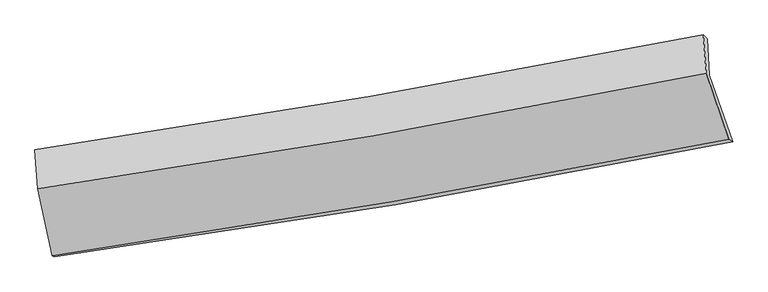
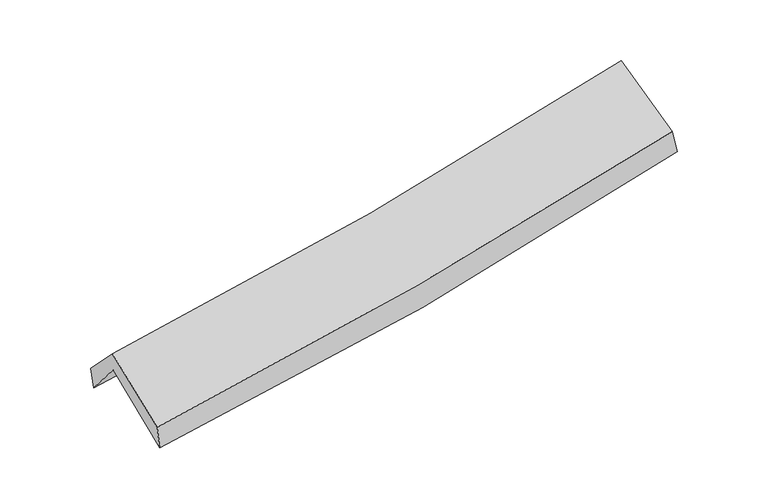
"""IFC4 building model written with IfcOpenShell, lengths in millimetres: proxy geometry."""

from ifc_helpers import new_model, si_unit, frame, origin, place, context, project, spatial, source, transform, mapped, element, save
from ifc_brep_helpers import plane_surface, spline_curve, spline_surface, advanced_brep


def generic_models_2e393bc9(model_context):
    return source(origin(), model_context, "Body", "AdvancedBrep", [
        advanced_brep(
        [(-2364.7024067, -2476.1444365, 1474.4930881), (-2474.6492567, -1980.7182502, 1920.1202751), (2388.8630509, -1161.1456318, 2381.8733941), (2556.8231864, -1644.6823602, 1936.6539792), (-2490.6178247, -1717.7072514, 1603.4374233), (2373.2849596, -897.6346286, 2064.7552184), (-2506.1919681, -1699.8427908, 1770.9946792), (2343.9241807, -868.4252476, 2233.252836), (-2485.6362782, -1983.9476236, 2069.9318852), (2365.8927041, -1145.2674724, 2525.1278369), (-2380.0471362, -2468.2841061, 1659.0280991), (2528.0809768, -1624.5895738, 2115.5360606)],
        [
            (0, 1),
            (1, 2, spline_curve(3, [(-2474.6492567, -1980.7182502, 1920.1202751), (-1654.992043845, -1871.747127805, 1964.351219243), (-839.269409154, -1748.840675455, 2025.028372082), (781.877850678, -1475.566539257, 2179.044344766), (1587.325985523, -1325.282118407, 2272.284897896), (2388.8630509, -1161.1456318, 2381.8733941)], [4, 2, 4], [0.0, 8.190152482277481, 16.355800213834673])),
            (2, 3),
            (3, 0, spline_curve(3, [(2556.8231864, -1644.6823602, 1936.6539792), (1745.802648528, -1810.700386517, 1824.879848304), (930.785708165, -1962.914808019, 1730.510961135), (-709.698801088, -2240.151805771, 1576.352709345), (-1535.190391506, -2365.091409832, 1516.667966263), (-2364.7024067, -2476.1444365, 1474.4930881)], [4, 2, 4], [0.0, 8.165647731557192, 16.355800213834673])),
            (1, 4),
            (4, 5, spline_curve(3, [(-2490.6178247, -1717.7072514, 1603.4374233), (-1670.995437111, -1607.312906266, 1646.171251762), (-855.257552222, -1483.654116762, 1706.0645827), (766.02016589, -1210.217320652, 1859.939709168), (1571.583209123, -1060.518569219, 1953.818976644), (2373.2849596, -897.6346286, 2064.7552184)], [4, 2, 4], [0.0, 8.141981646764512, 16.259602668857518])),
            (5, 2),
            (4, 6),
            (6, 7, spline_curve(3, [(-2506.1919681, -1699.8427908, 1770.9946792), (-1690.35890327, -1581.43416919, 1818.75099766), (-877.665172499, -1452.826000163, 1881.230409663), (739.02145308, -1175.625876581, 2035.40443219), (1543.033104942, -1027.094864655, 2127.011072604), (2343.9241807, -868.4252476, 2233.252836)], [4, 2, 4], [0.0, 8.132287147798687, 16.240242676647195])),
            (7, 5),
            (6, 8),
            (8, 9, spline_curve(3, [(-2485.6362782, -1983.9476236, 2069.9318852), (-1669.207277938, -1868.934919424, 2121.344524495), (-856.097936304, -1741.415133138, 2185.059076), (761.058555916, -1461.780352882, 2336.864563862), (1565.125542018, -1309.740088955, 2424.881996295), (2365.8927041, -1145.2674724, 2525.1278369)], [4, 2, 4], [0.0, 8.123804934076324, 16.223303627793804])),
            (9, 7),
            (8, 10),
            (10, 11, spline_curve(3, [(-2380.0471362, -2468.2841061, 1659.0280991), (-1555.069504269, -2349.552649673, 1713.114146839), (-732.961512965, -2219.757154503, 1778.273061716), (903.064045376, -1938.459536231, 1930.508542718), (1716.998758505, -1787.02352044, 2017.518948058), (2528.0809768, -1624.5895738, 2115.5360606)], [4, 2, 4], [0.0, 8.171568028555912, 16.31868691065613])),
            (11, 9),
            (10, 0),
            (3, 11),
        ],
        [
            spline_surface(3, 3, [[(-2364.7024067, -2476.1444365, 1474.4930881), (-1535.190391537, -2365.091409832, 1516.667966202), (-709.698800955, -2240.151805781, 1576.352709298), (930.785708032, -1962.914808009, 1730.510961183), (1745.802648481, -1810.700386628, 1824.879848401), (2556.8231864, -1644.6823602, 1936.6539792)], [(-2401.351356683, -2311.002374416, 1623.035483767), (-1575.124275579, -2200.643315822, 1665.895717197), (-752.889003738, -2076.381429027, 1725.911263575), (881.149755613, -1800.465385039, 1880.022088992), (1692.977094192, -1648.894297285, 1974.014864909), (2500.836474581, -1483.503450764, 2085.060450812)], [(-2438.000306717, -2145.860312284, 1771.577879433), (-1615.058159671, -2036.195221763, 1815.123468189), (-796.079206494, -1912.61105232, 1875.469817906), (831.513803221, -1638.015962116, 2029.533216855), (1640.15153986, -1487.08820785, 2123.149881483), (2444.849762719, -1322.324541236, 2233.466922488)], [(-2474.6492567, -1980.7182502, 1920.1202751), (-1654.992043713, -1871.747127753, 1964.351219184), (-839.269409278, -1748.840675566, 2025.028372183), (781.877850802, -1475.566539146, 2179.044344665), (1587.325985571, -1325.282118506, 2272.284897991), (2388.8630509, -1161.1456318, 2381.8733941)]], [4, 4], [4, 2, 4], [0.0, 2.2253554300333733], [0.0, 8.190152482277481, 16.355800213834673]),
            spline_surface(3, 3, [[(-2474.6492567, -1980.7182502, 1920.1202751), (-1654.992043713, -1871.747127753, 1964.351219184), (-839.269409278, -1748.840675566, 2025.028372183), (781.877850802, -1475.566539146, 2179.044344665), (1587.325985571, -1325.282118506, 2272.284897991), (2388.8630509, -1161.1456318, 2381.8733941)], [(-2479.972112721, -1893.047917249, 1814.559324524), (-1660.326508231, -1783.602387215, 1858.291230063), (-844.598790248, -1660.445155961, 1918.707109033), (776.59195587, -1387.116799679, 2072.676132831), (1582.078393393, -1237.027602066, 2166.129590858), (2383.670353789, -1073.308630725, 2276.167335542)], [(-2485.294968679, -1805.377584351, 1708.998373876), (-1665.660972688, -1695.457646729, 1752.231240869), (-849.928171293, -1572.049636314, 1812.385845869), (771.306060864, -1298.667060172, 1966.307920983), (1576.83080125, -1148.773085651, 2059.9742837), (2378.477656711, -985.471629675, 2170.461276958)], [(-2490.6178247, -1717.7072514, 1603.4374233), (-1670.995437207, -1607.312906191, 1646.171251748), (-855.257552264, -1483.654116708, 1706.064582719), (766.020165931, -1210.217320706, 1859.939709149), (1571.583209072, -1060.51856921, 1953.818976567), (2373.2849596, -897.6346286, 2064.7552184)]], [4, 4], [4, 2, 4], [0.0, 1.3622525986763878], [0.0, 8.141981646764512, 16.259602668857518]),
            spline_surface(3, 3, [[(-2490.6178247, -1717.7072514, 1603.4374233), (-1670.995437207, -1607.312906191, 1646.171251748), (-855.257552264, -1483.654116708, 1706.064582719), (766.020165931, -1210.217320706, 1859.939709149), (1571.583209072, -1060.51856921, 1953.818976567), (2373.2849596, -897.6346286, 2064.7552184)], [(-2495.809205803, -1711.752431225, 1659.289841918), (-1677.449925886, -1598.68666053, 1703.697833686), (-862.726759006, -1473.378077827, 1764.453191665), (757.020594924, -1198.686839355, 1918.427950217), (1562.066507736, -1049.377334355, 2011.549675265), (2363.498033319, -887.898168248, 2120.921090933)], [(-2501.000586997, -1705.797610975, 1715.142260582), (-1683.904414655, -1590.060414796, 1761.224415671), (-870.195965668, -1463.102038958, 1822.841800582), (748.021023998, -1187.156358017, 1976.916191256), (1552.549806343, -1038.236099555, 2069.280373964), (2353.711106981, -878.161707952, 2177.086963467)], [(-2506.1919681, -1699.8427908, 1770.9946792), (-1690.358903334, -1581.434169136, 1818.750997608), (-877.66517241, -1452.826000077, 1881.230409528), (739.021452991, -1175.625876666, 2035.404432324), (1543.033105006, -1027.094864699, 2127.011072662), (2343.9241807, -868.4252476, 2233.252836)]], [4, 4], [4, 2, 4], [0.0, 0.5906855787323868], [0.0, 8.132287147798687, 16.240242676647195]),
            spline_surface(3, 3, [[(-2506.1919681, -1699.8427908, 1770.9946792), (-1690.358903334, -1581.434169136, 1818.750997608), (-877.66517241, -1452.826000077, 1881.230409528), (739.021452991, -1175.625876666, 2035.404432324), (1543.033105006, -1027.094864699, 2127.011072662), (2343.9241807, -868.4252476, 2233.252836)], [(-2499.340071485, -1794.544401719, 1870.640414536), (-1683.308361514, -1677.267752592, 1919.615506581), (-870.476093733, -1549.022377759, 1982.50663169), (746.367154025, -1271.010702071, 2135.89114284), (1550.397250688, -1121.309939443, 2226.301380532), (2351.247021828, -960.705989216, 2330.544502965)], [(-2492.488174815, -1889.246012681, 1970.286149864), (-1676.257819637, -1773.10133609, 2020.480015544), (-863.287015107, -1645.218755449, 2083.78285384), (753.712855008, -1366.395527484, 2236.377853344), (1557.761396387, -1215.52501414, 2325.591688408), (2358.569862972, -1052.986730784, 2427.836169935)], [(-2485.6362782, -1983.9476236, 2069.9318852), (-1669.207277817, -1868.934919546, 2121.344524517), (-856.09793643, -1741.415133131, 2185.059076002), (761.058556042, -1461.780352889, 2336.86456386), (1565.125542069, -1309.740088884, 2424.881996277), (2365.8927041, -1145.2674724, 2525.1278369)]], [4, 4], [4, 2, 4], [0.0, 1.3711230724002808], [0.0, 8.123804934076324, 16.223303627793804]),
            spline_surface(3, 3, [[(-2485.6362782, -1983.9476236, 2069.9318852), (-1669.207277817, -1868.934919546, 2121.344524517), (-856.09793643, -1741.415133131, 2185.059076002), (761.058556042, -1461.780352889, 2336.86456386), (1565.125542069, -1309.740088884, 2424.881996277), (2365.8927041, -1145.2674724, 2525.1278369)], [(-2450.439897521, -2145.393117785, 1932.963956503), (-1631.161353245, -2029.140829583, 1985.267731926), (-815.052461915, -1900.862473633, 2049.463737904), (808.393719139, -1620.673413987, 2201.412556782), (1615.749947519, -1468.834566048, 2289.094313573), (2419.955461667, -1305.04150618, 2388.597244806)], [(-2415.243516879, -2306.838611915, 1795.996027797), (-1593.115428708, -2189.346739565, 1849.190939326), (-774.006987419, -2060.309814092, 1913.868399857), (855.728882218, -1779.566475041, 2065.960549753), (1666.37435297, -1627.929043272, 2153.306630851), (2474.018219233, -1464.81554002, 2252.066652694)], [(-2380.0471362, -2468.2841061, 1659.0280991), (-1555.069504136, -2349.552649602, 1713.114146735), (-732.961512904, -2219.757154595, 1778.273061759), (903.064045315, -1938.459536139, 1930.508542675), (1716.998758421, -1787.023520436, 2017.518948146), (2528.0809768, -1624.5895738, 2115.5360606)]], [4, 4], [4, 2, 4], [0.0, 2.1030333474004888], [0.0, 8.171568028555912, 16.31868691065613]),
            spline_surface(3, 3, [[(-2380.0471362, -2468.2841061, 1659.0280991), (-1555.069504136, -2349.552649602, 1713.114146735), (-732.961512904, -2219.757154595, 1778.273061759), (903.064045315, -1938.459536139, 1930.508542675), (1716.998758421, -1787.023520436, 2017.518948146), (2528.0809768, -1624.5895738, 2115.5360606)], [(-2374.932226386, -2470.904216206, 1597.516428752), (-1548.443133289, -2354.732236318, 1647.632086543), (-725.207275599, -2226.555371651, 1710.966277622), (912.304599543, -1946.611293424, 1863.842682194), (1726.600055091, -1794.915809167, 1953.305914907), (2537.661713317, -1631.287169267, 2055.908700143)], [(-2369.817316514, -2473.524326394, 1536.004758448), (-1541.816762384, -2359.911823116, 1582.150026394), (-717.45303826, -2233.353588724, 1643.659493435), (921.545153804, -1954.763050724, 1797.176821664), (1736.20135181, -1802.808097897, 1889.09288164), (2547.242449883, -1637.984764733, 1996.281339657)], [(-2364.7024067, -2476.1444365, 1474.4930881), (-1535.190391537, -2365.091409832, 1516.667966202), (-709.698800955, -2240.151805781, 1576.352709298), (930.785708032, -1962.914808009, 1730.510961183), (1745.802648481, -1810.700386628, 1824.879848401), (2556.8231864, -1644.6823602, 1936.6539792)]], [4, 4], [4, 2, 4], [0.0, 0.6686619153957165], [0.0, 8.228142783237685, 16.431667149635086]),
            plane_surface(frame((2426.1448431, -1223.6241524, 2209.5332209), z_axis=(0.9676947405406057, 0.2152311493576581, 0.13131047740462934), x_axis=(0.24913150720469976, -0.7362692478065398, -0.6291590314477786))),
            plane_surface(frame((-2450.3074784, -2054.4407431, 1749.667575), z_axis=(-0.9856742125032679, -0.15079859689195346, -0.07553893023786533), x_axis=(-0.08279292689829652, 0.04241063720782092, 0.9956639338186555))),
        ],
        [
            (0, [[1, 2, 3, 4]]),
            (1, [[5, 6, 7, -2]]),
            (2, [[8, 9, 10, -6]]),
            (3, [[11, 12, 13, -9]]),
            (4, [[14, 15, 16, -12]]),
            (5, [[17, -4, 18, -15]]),
            (6, [[-16, -18, -3, -7, -10, -13]]),
            (7, [[-17, -14, -11, -8, -5, -1]]),
        ],
    ),
    ])


if __name__ == "__main__":
    model = new_model("IFC4")
    model_context = context("Model", 3, world=origin())
    ifc_project = project(units=[si_unit("LENGTHUNIT", "METRE", prefix="MILLI")], contexts=[model_context])
    site = spatial("IfcSite", under=ifc_project)
    building = spatial("IfcBuilding", under=site)
    placement = place(None, origin())
    generic_models_shape = generic_models_2e393bc9(model_context)
    element("IfcBuildingElementProxy", 1, Name="Generic Models", at=placement, inside=building, context=model_context, shape_type="MappedRepresentation", body=[
        mapped(generic_models_shape, transform((0.0, 0.0, 0.0), x_axis=(1.0, 0.0, 0.0), y_axis=(0.0, 1.0, 0.0), z_axis=(0.0, 0.0, 1.0))),
    ])
    save(model, "model.ifc")
